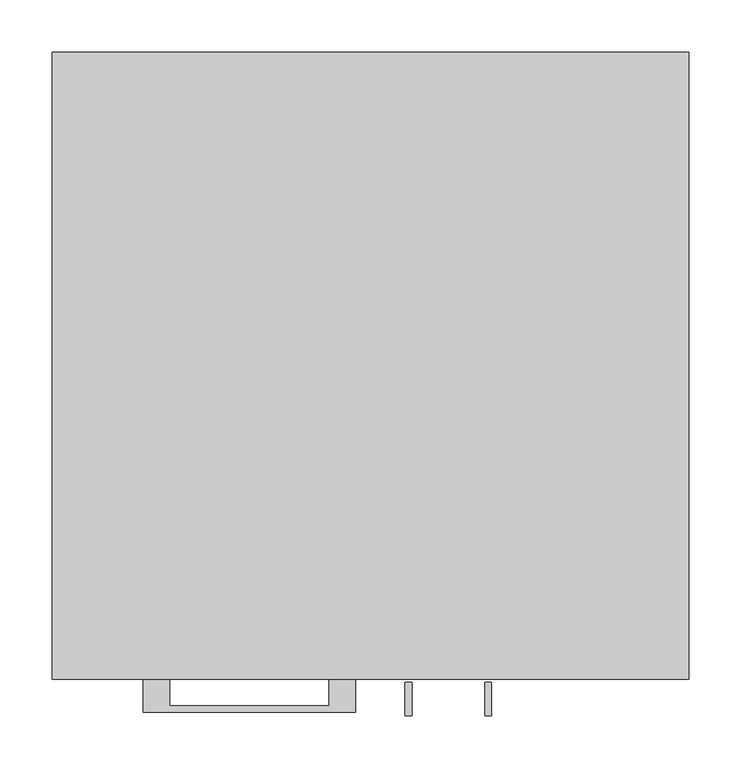
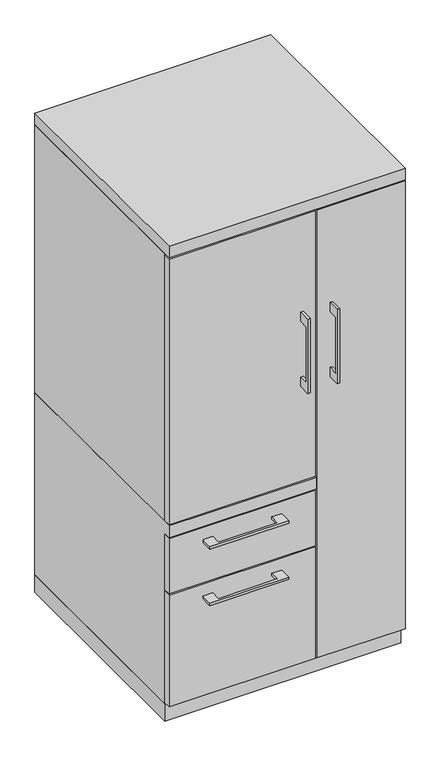
"""IFC4 building model written with IfcOpenShell, lengths in millimetres: furniture geometry."""

from ifc_helpers import new_model, si_unit, frame, origin, origin_with_axes, place, context, project, spatial, polyline, outline, extrude, faceted_brep, source, transform, mapped, element, save


def furniture_972beb83(model_context):
    return source(origin(), model_context, "Body", "SolidModel", [
        extrude(outline(polyline([(-603.25, 986.63125), (-628.6499758, 986.63125), (-628.6499758, 834.23125), (-603.25, 834.23125), (-603.25, 808.83125), (-634.9999879, 808.83125), (-634.9999879, 1012.03125), (-603.25, 1012.03125), (-603.25, 986.63125)])), frame((33.3375121, 0.0, 0.0), z_axis=(1.0, 0.0, 0.0), x_axis=(0.0, 1.0, 0.0)), (0.0, 0.0, 1.0), 6.3499758),
        extrude(outline(polyline([(-304.8, -600.075), (-304.8, -581.025), (73.025, -581.025), (73.025, -600.075), (-304.8, -600.075)])), frame((0.0, 0.0, 547.6875), z_axis=(0.0, 0.0, 1.0), x_axis=(1.0, 0.0, 0.0)), (0.0, 0.0, 1.0), 725.4875),
        extrude(outline(polyline([(-192.0874818, -600.075), (-192.0874818, -625.4749758), (-39.6875, -625.4749758), (-39.6875, -600.075), (-14.2875061, -600.075), (-14.2875061, -631.8249879), (-217.4874939, -631.8249879), (-217.4874939, -600.075), (-192.0874818, -600.075)])), frame((0.0, 0.0, 469.9000506), z_axis=(0.0, 0.0, 1.0), x_axis=(1.0, 0.0, 0.0)), (0.0, 0.0, 1.0), 6.3499758),
        extrude(outline(polyline([(73.025, -581.025), (73.025, -600.075), (-304.8, -600.075), (-304.8, -581.025), (73.025, -581.025)])), frame((0.0, 0.0, 358.775), z_axis=(0.0, 0.0, 1.0), x_axis=(1.0, 0.0, 0.0)), (0.0, 0.0, 1.0), 150.8125),
        extrude(outline(polyline([(-603.25, 986.63125), (-628.6499758, 986.63125), (-628.6499758, 834.23125), (-603.25, 834.23125), (-603.25, 808.83125), (-634.9999879, 808.83125), (-634.9999879, 1012.03125), (-603.25, 1012.03125), (-603.25, 986.63125)])), frame((109.5375121, 0.0, 0.0), z_axis=(1.0, 0.0, 0.0), x_axis=(0.0, 1.0, 0.0)), (0.0, 0.0, 1.0), 6.3499758),
        extrude(outline(polyline([(304.8, -600.075), (76.2, -600.075), (76.2, -581.025), (304.8, -581.025), (304.8, -600.075)])), frame((0.0, 0.0, 50.8), z_axis=(0.0, 0.0, 1.0), x_axis=(1.0, 0.0, 0.0)), (0.0, 0.0, 1.0), 1222.375),
        extrude(outline(polyline([(-192.0874818, -600.075), (-192.0874818, -625.4749758), (-39.6875, -625.4749758), (-39.6875, -600.075), (-14.2875061, -600.075), (-14.2875061, -631.8249879), (-217.4874939, -631.8249879), (-217.4874939, -600.075), (-192.0874818, -600.075)])), frame((0.0, 0.0, 315.9125506), z_axis=(0.0, 0.0, 1.0), x_axis=(1.0, 0.0, 0.0)), (0.0, 0.0, 1.0), 6.3499758),
        extrude(outline(polyline([(73.025, -581.025), (73.025, -600.075), (-304.8, -600.075), (-304.8, -581.025), (73.025, -581.025)])), frame((0.0, 0.0, 50.8), z_axis=(0.0, 0.0, 1.0), x_axis=(1.0, 0.0, 0.0)), (0.0, 0.0, 1.0), 304.8),
        faceted_brep([(-304.8, -581.025, 47.625), (-304.8, 0.0, 47.625), (76.2, 0.0, 47.625), (76.2, -581.025, 47.625), (-304.8, 0.0, 544.5125), (76.2, 0.0, 544.5125), (-304.8, -581.025, 512.7625), (-304.8, -600.075, 512.7625), (-304.8, -600.075, 544.5125), (76.2, -581.025, 512.7625), (57.15, -581.025, 512.7625), (76.2, -581.025, 1276.35), (57.15, -581.025, 1276.35), (57.15, -581.025, 544.5125), (76.2, -581.025, 544.5125), (76.2, -19.05, 544.5125), (76.2, -19.05, 1276.35), (76.2, -600.075, 544.5125), (76.2, -600.075, 512.7625), (57.15, -19.05, 1276.35), (57.15, -19.05, 544.5125)], [[[0, 1, 2, 3]], [[2, 1, 4, 5]], [[4, 1, 0, 6, 7, 8]], [[6, 0, 3, 9, 10]], [[11, 12, 13, 14]], [[2, 5, 15, 16, 11, 14, 17, 18, 9, 3]], [[16, 19, 12, 11]], [[19, 16, 15, 20]], [[12, 19, 20, 13]], [[5, 4, 8, 17, 14, 13, 20, 15]], [[18, 7, 6, 10, 9]], [[17, 8, 7, 18]]]),
        extrude(outline(polyline([(76.2, 0.0), (76.2, -19.05), (-285.75, -19.05), (-285.75, -581.025), (-304.8, -581.025), (-304.8, 0.0), (76.2, 0.0)])), frame((0.0, 0.0, 544.5125), z_axis=(0.0, 0.0, 1.0), x_axis=(1.0, 0.0, 0.0)), (0.0, 0.0, 1.0), 731.8375),
        extrude(outline(polyline([(304.8, 0.0), (304.8, -581.025), (285.75, -581.025), (285.75, -19.05), (76.2, -19.05), (76.2, 0.0), (304.8, 0.0)])), frame((0.0, 0.0, 47.625), z_axis=(0.0, 0.0, 1.0), x_axis=(1.0, 0.0, 0.0)), (0.0, 0.0, 1.0), 1228.725),
        extrude(outline(polyline([(304.8, 0.0), (304.8, -600.075), (-304.8, -600.075), (-304.8, 0.0), (304.8, 0.0)])), frame((0.0, 0.0, 1276.35), z_axis=(0.0, 0.0, 1.0), x_axis=(1.0, 0.0, 0.0)), (0.0, 0.0, 1.0), 31.75),
        extrude(outline(polyline([(304.8, 0.0), (304.8, -581.025), (-304.8, -581.025), (-304.8, 0.0), (304.8, 0.0)])), origin_with_axes(), (0.0, 0.0, 1.0), 47.625),
    ])


if __name__ == "__main__":
    model = new_model("IFC4")
    model_context = context("Model", 3, world=origin())
    ifc_project = project(units=[si_unit("LENGTHUNIT", "METRE", prefix="MILLI")], contexts=[model_context])
    site = spatial("IfcSite", under=ifc_project)
    building = spatial("IfcBuilding", under=site)
    placement = place(None, origin())
    furniture_shape = furniture_972beb83(model_context)
    element("IfcFurniture", 1, at=placement, inside=building, context=model_context, shape_type="MappedRepresentation", body=[
        mapped(furniture_shape, transform((0.0, 0.0, 0.0), x_axis=(1.0, 0.0, 0.0), y_axis=(0.0, 1.0, 0.0), z_axis=(0.0, 0.0, 1.0))),
    ])
    save(model, "model.ifc")
